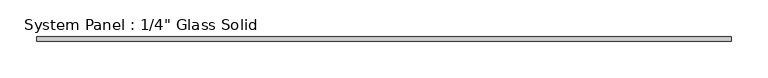
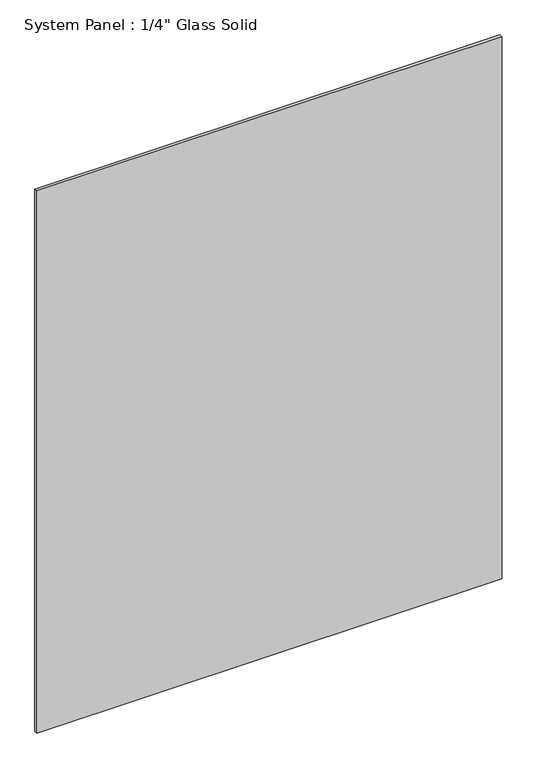
"""IFC4 building model written with IfcOpenShell, lengths in millimetres: plate geometry."""

from ifc_helpers import new_model, si_unit, origin, origin_with_axes, place, context, project, spatial, polyline, outline, extrude, source, transform, mapped, element, save


def plate_9c53b7aa(model_context):
    return source(origin(), model_context, "Body", "SweptSolid", [
        extrude(outline(polyline([(475.6720691, -3.175), (-475.6720691, -3.175), (-475.6720691, 3.175), (475.6720691, 3.175), (475.6720691, -3.175)])), origin_with_axes(), (0.0, 0.0, 1.0), 1171.859734),
    ])


if __name__ == "__main__":
    model = new_model("IFC4")
    model_context = context("Model", 3, world=origin())
    ifc_project = project(units=[si_unit("LENGTHUNIT", "METRE", prefix="MILLI")], contexts=[model_context])
    site = spatial("IfcSite", under=ifc_project)
    building = spatial("IfcBuilding", under=site)
    placement = place(None, origin())
    plate_shape = plate_9c53b7aa(model_context)
    element("IfcPlate", 1, ObjectType="System Panel : 1/4\" Glass Solid", at=placement, inside=building, context=model_context, shape_type="MappedRepresentation", body=[
        mapped(plate_shape, transform((0.0, 0.0, 0.0), x_axis=(1.0, 0.0, 0.0), y_axis=(0.0, 1.0, 0.0), z_axis=(0.0, 0.0, 1.0))),
    ])
    save(model, "model.ifc")
